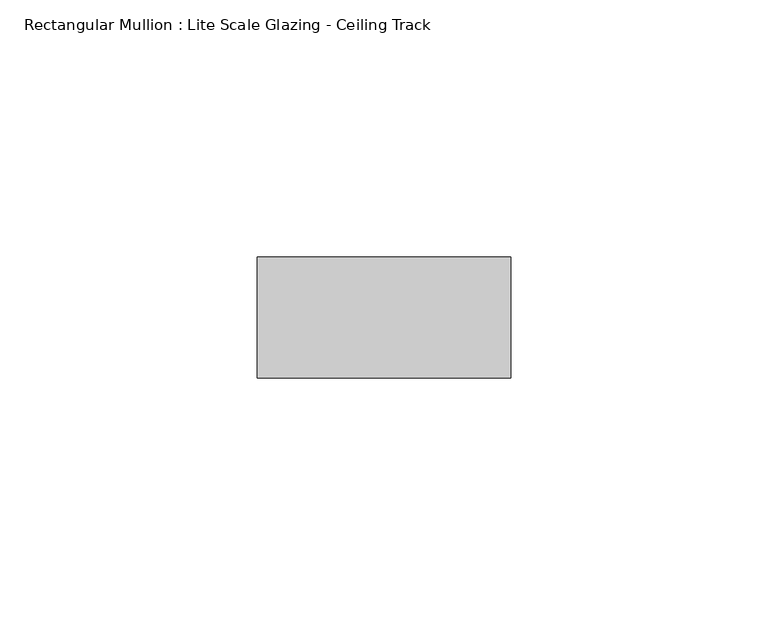
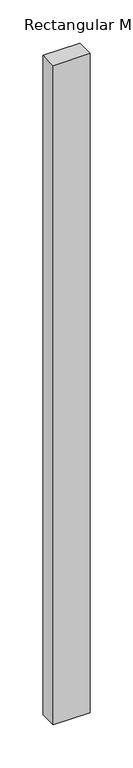
"""IFC4 building model written with IfcOpenShell, lengths in millimetres: member geometry, Rectangular Mullion : Lite Scale Glazing - Ceiling Track."""

from ifc_helpers import new_model, si_unit, frame, origin, place, context, project, spatial, polyline, outline, extrude, source, transform, mapped, element, save


def rectangular_mullion_lite_scale_glazing_ceiling_track_8a692756(model_context):
    return source(origin(), model_context, "Body", "SweptSolid", [
        extrude(outline(polyline([(-49.276, -11.7474999), (-49.276, 11.7474999), (0.0, 11.7474999), (0.0, -11.7474999), (-49.276, -11.7474999)])), frame((0.0, 0.0, -931.1212004), z_axis=(0.0, 0.0, 1.0), x_axis=(1.0, 0.0, 0.0)), (0.0, 0.0, 1.0), 931.1212004),
    ])


if __name__ == "__main__":
    model = new_model("IFC4")
    model_context = context("Model", 3, world=origin())
    ifc_project = project(units=[si_unit("LENGTHUNIT", "METRE", prefix="MILLI")], contexts=[model_context])
    site = spatial("IfcSite", under=ifc_project)
    building = spatial("IfcBuilding", under=site)
    placement = place(None, origin())
    rectangular_mullion_lite_scale_glazing_ceiling_track_shape = rectangular_mullion_lite_scale_glazing_ceiling_track_8a692756(model_context)
    element("IfcMember", 1, ObjectType="Rectangular Mullion : Lite Scale Glazing - Ceiling Track", at=placement, inside=building, context=model_context, shape_type="MappedRepresentation", body=[
        mapped(rectangular_mullion_lite_scale_glazing_ceiling_track_shape, transform((0.0, 0.0, 0.0), x_axis=(1.0, 0.0, 0.0), y_axis=(0.0, 1.0, 0.0), z_axis=(0.0, 0.0, 1.0))),
    ])
    save(model, "model.ifc")
